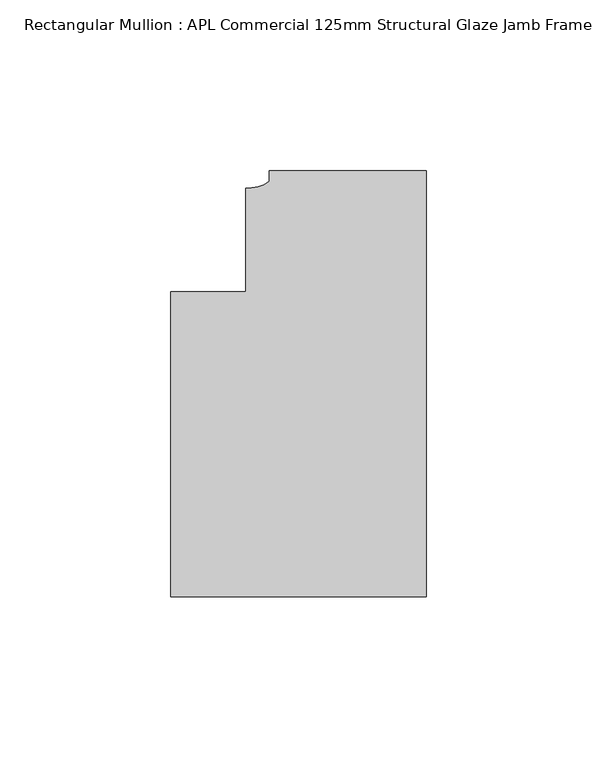
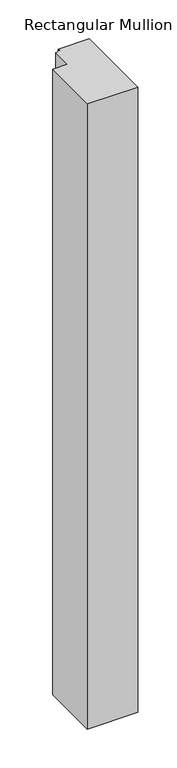
"""IFC4 building model written with IfcOpenShell, lengths in millimetres: member geometry, Rectangular Mullion : APL Commercial 125mm Structural Glaze Jamb Frame (left)."""

from ifc_helpers import new_model, si_unit, point, frame, frame_2d, origin, place, context, project, spatial, polyline, circle_curve, trimmed, segment, composite_curve, outline, extrude, source, transform, mapped, element, save


def rectangular_mullion_apl_commercial_125mm_structural_glaze_808f4cd6(model_context):
    return source(origin(), model_context, "Body", "SweptSolid", [
        extrude(outline(composite_curve([segment(polyline([(0.0, 20.5), (0.0, -104.5), (-75.0, -104.5), (-75.0, -15.0000829), (-52.9999391, -15.0000829), (-52.9999391, 15.3797475)]), True, "CONTINUOUS"), segment(trimmed(circle_curve(frame_2d((-52.1098019, 25.7981812)), 10.4563907), [point((-52.9999391, 15.3797475))], [point((-45.9999842, 17.3125325))], True, "CARTESIAN"), True, "CONTINUOUS"), segment(polyline([(-45.9999842, 17.3125325), (-45.9999842, 20.5), (0.0, 20.5)]), True, "CONTINUOUS")], self_intersect=False)), frame((0.0, 0.0, -983.7033268), z_axis=(0.0, 0.0, 1.0), x_axis=(1.0, 0.0, 0.0)), (0.0, 0.0, 1.0), 983.7033268),
    ])


if __name__ == "__main__":
    model = new_model("IFC4")
    model_context = context("Model", 3, world=origin())
    ifc_project = project(units=[si_unit("LENGTHUNIT", "METRE", prefix="MILLI")], contexts=[model_context])
    site = spatial("IfcSite", under=ifc_project)
    building = spatial("IfcBuilding", under=site)
    placement = place(None, origin())
    rectangular_mullion_apl_commercial_125mm_structural_glaze_shape = rectangular_mullion_apl_commercial_125mm_structural_glaze_808f4cd6(model_context)
    element("IfcMember", 1, ObjectType="Rectangular Mullion : APL Commercial 125mm Structural Glaze Jamb Frame (left)", at=placement, inside=building, context=model_context, shape_type="MappedRepresentation", body=[
        mapped(rectangular_mullion_apl_commercial_125mm_structural_glaze_shape, transform((0.0, 0.0, 0.0), x_axis=(1.0, 0.0, 0.0), y_axis=(0.0, 1.0, 0.0), z_axis=(0.0, 0.0, 1.0))),
    ])
    save(model, "model.ifc")
